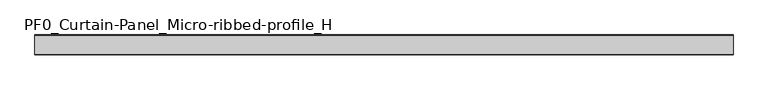
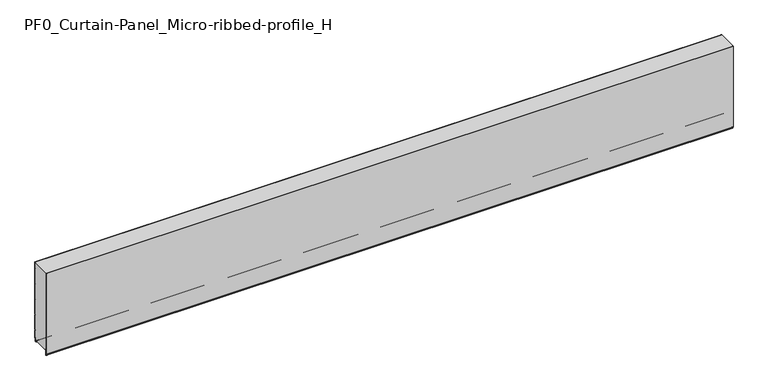
"""IFC4 building model written with IfcOpenShell, lengths in millimetres: plate geometry, PF0_Curtain-Panel_Micro-ribbed-profile_H."""

from ifc_helpers import new_model, si_unit, point, frame, frame_2d, origin, place, context, project, spatial, polyline, circle_curve, trimmed, segment, composite_curve, outline, extrude, source, transform, mapped, element, save


def pf0_curtain_panel_micro_ribbed_profile_h_0c48d845(model_context):
    return source(origin(), model_context, "Body", "SweptSolid", [
        extrude(outline(composite_curve([segment(polyline([(-15.878557, 0.0), (-20.0, 0.0), (-20.0, 0.8), (-15.878557, 0.8)]), True, "CONTINUOUS"), segment(trimmed(circle_curve(frame_2d((-15.878557, -2.0)), 2.8), [point((-15.878557, 0.8))], [point((-13.1503208, -1.370137))], False, "CARTESIAN"), True, "CONTINUOUS"), segment(polyline([(-13.1503208, -1.370137), (-11.728236, -7.529863)]), True, "CONTINUOUS"), segment(trimmed(circle_curve(frame_2d((-9.0, -6.9)), 2.8), [point((-11.728236, -7.529863))], [point((-6.2, -6.9))], True, "CARTESIAN"), True, "CONTINUOUS"), segment(polyline([(-6.2, -6.9), (-6.2, 8.6)]), True, "CONTINUOUS"), segment(trimmed(circle_curve(frame_2d((-3.4, 8.6)), 2.8), [point((-6.2, 8.6))], [point((-3.4, 11.4))], False, "CARTESIAN"), True, "CONTINUOUS"), segment(polyline([(-3.4, 11.4), (-2.0, 11.4)]), True, "CONTINUOUS"), segment(trimmed(circle_curve(frame_2d((-2.0, 12.6)), 1.2), [point((-2.0, 11.4))], [point((-0.8, 12.6))], True, "CARTESIAN"), True, "CONTINUOUS"), segment(polyline([(-0.8, 12.6), (-0.8, 57.6856412), (-2.482606, 60.6), (-0.8, 63.5143588), (-0.8, 157.6856412), (-2.482606, 160.6), (-0.8, 163.5143588), (-0.8, 257.6856412), (-2.482606, 260.6), (-0.8, 263.5143588), (-0.8, 357.6856412), (-2.482606, 360.6), (-0.8, 363.5143588), (-0.8, 457.6856412), (-2.482606, 460.6), (-0.8, 463.5143588), (-0.8, 500.0), (0.0, 500.0), (0.0, 463.2999995), (-1.5588455, 460.6), (0.0, 457.9000005), (0.0, 363.2999995), (-1.5588455, 360.6), (0.0, 357.9000005), (0.0, 263.2999995), (-1.5588455, 260.6), (0.0, 257.9000005), (0.0, 163.2999995), (-1.5588455, 160.6), (0.0, 157.9000005), (0.0, 63.2999995), (-1.5588455, 60.6), (0.0, 57.9000005), (0.0, 12.6)]), True, "CONTINUOUS"), segment(trimmed(circle_curve(frame_2d((-2.0, 12.6)), 2.0), [point((0.0, 12.6))], [point((-2.0, 10.6))], False, "CARTESIAN"), True, "CONTINUOUS"), segment(polyline([(-2.0, 10.6), (-3.4, 10.6)]), True, "CONTINUOUS"), segment(trimmed(circle_curve(frame_2d((-3.4, 8.6)), 2.0), [point((-3.4, 10.6))], [point((-5.4, 8.6))], True, "CARTESIAN"), True, "CONTINUOUS"), segment(polyline([(-5.4, 8.6), (-5.4, -6.9)]), True, "CONTINUOUS"), segment(trimmed(circle_curve(frame_2d((-9.0, -6.9)), 3.6), [point((-5.4, -6.9))], [point((-12.5077322, -7.7098239))], False, "CARTESIAN"), True, "CONTINUOUS"), segment(polyline([(-12.5077322, -7.7098239), (-13.929817, -1.5500979)]), True, "CONTINUOUS"), segment(trimmed(circle_curve(frame_2d((-15.878557, -2.0)), 2.0), [point((-13.929817, -1.5500979))], [point((-15.878557, 0.0))], True, "CARTESIAN"), True, "CONTINUOUS")], self_intersect=False)), frame((-2100.0, 0.0, 0.0), z_axis=(1.0, 0.0, 0.0), x_axis=(0.0, 1.0, 0.0)), (0.0, 0.0, 1.0), 4200.0),
        extrude(outline(composite_curve([segment(polyline([(-110.0, 0.0), (-113.5, 0.0)]), True, "CONTINUOUS"), segment(trimmed(circle_curve(frame_2d((-113.5, -2.0)), 2.0), [point((-113.5, 0.0))], [point((-115.5, -2.0))], True, "CARTESIAN"), True, "CONTINUOUS"), segment(polyline([(-115.5, -2.0), (-115.5, -33.0)]), True, "CONTINUOUS"), segment(trimmed(circle_curve(frame_2d((-116.5, -33.0)), 1.0), [point((-115.5, -33.0))], [point((-117.5, -33.0))], False, "CARTESIAN"), True, "CONTINUOUS"), segment(polyline([(-117.5, -33.0), (-117.5, -26.9)]), True, "CONTINUOUS"), segment(trimmed(circle_curve(frame_2d((-118.4, -26.9)), 0.9), [point((-117.5, -26.9))], [point((-118.4, -26.0))], True, "CARTESIAN"), True, "CONTINUOUS"), segment(trimmed(circle_curve(frame_2d((-118.4, -24.4)), 1.6), [point((-118.4, -26.0))], [point((-120.0, -24.4))], False, "CARTESIAN"), True, "CONTINUOUS"), segment(polyline([(-120.0, -24.4), (-120.0, 500.0), (-119.2, 500.0), (-119.2, -24.4)]), True, "CONTINUOUS"), segment(trimmed(circle_curve(frame_2d((-118.4, -24.4)), 0.8), [point((-119.2, -24.4))], [point((-118.4, -25.2))], True, "CARTESIAN"), True, "CONTINUOUS"), segment(trimmed(circle_curve(frame_2d((-118.6133333, -26.9)), 1.7133333), [point((-118.4, -25.2))], [point((-116.9, -26.9))], False, "CARTESIAN"), True, "CONTINUOUS"), segment(polyline([(-116.9, -26.9), (-116.9, -32.8700312)]), True, "CONTINUOUS"), segment(trimmed(circle_curve(frame_2d((-116.6, -32.8700312)), 0.3), [point((-116.9, -32.8700312))], [point((-116.3, -32.8700312))], True, "CARTESIAN"), True, "CONTINUOUS"), segment(polyline([(-116.3, -32.8700312), (-116.3, -2.0)]), True, "CONTINUOUS"), segment(trimmed(circle_curve(frame_2d((-113.5, -2.0)), 2.8), [point((-116.3, -2.0))], [point((-113.5, 0.8))], False, "CARTESIAN"), True, "CONTINUOUS"), segment(polyline([(-113.5, 0.8), (-110.0, 0.8), (-110.0, 0.0)]), True, "CONTINUOUS")], self_intersect=False)), frame((-2100.0, 0.0, 0.0), z_axis=(1.0, 0.0, 0.0), x_axis=(0.0, 1.0, 0.0)), (0.0, 0.0, 1.0), 4200.0),
        extrude(outline(composite_curve([segment(polyline([(-110.0, 0.8), (-113.5, 0.8)]), True, "CONTINUOUS"), segment(trimmed(circle_curve(frame_2d((-113.5, -2.0)), 2.8), [point((-113.5, 0.8))], [point((-116.3, -2.0))], True, "CARTESIAN"), True, "CONTINUOUS"), segment(polyline([(-116.3, -2.0), (-116.3, -32.8700312)]), True, "CONTINUOUS"), segment(trimmed(circle_curve(frame_2d((-116.6, -32.8700312)), 0.3), [point((-116.3, -32.8700312))], [point((-116.9, -32.8700312))], False, "CARTESIAN"), True, "CONTINUOUS"), segment(polyline([(-116.9, -32.8700312), (-116.9, -26.9)]), True, "CONTINUOUS"), segment(trimmed(circle_curve(frame_2d((-118.6133333, -26.9)), 1.7133333), [point((-116.9, -26.9))], [point((-118.4, -25.2))], True, "CARTESIAN"), True, "CONTINUOUS"), segment(trimmed(circle_curve(frame_2d((-118.4, -24.4)), 0.8), [point((-118.4, -25.2))], [point((-119.2, -24.4))], False, "CARTESIAN"), True, "CONTINUOUS"), segment(polyline([(-119.2, -24.4), (-119.2, 500.0), (-0.8, 500.0), (-0.8, 463.5143588), (-2.482606, 460.6), (-0.8, 457.6856412), (-0.8, 363.5143588), (-2.482606, 360.6), (-0.8, 357.6856412), (-0.8, 263.5143588), (-2.482606, 260.6), (-0.8, 257.6856412), (-0.8, 163.5143588), (-2.482606, 160.6), (-0.8, 157.6856412), (-0.8, 63.5143588), (-2.482606, 60.6), (-0.8, 57.6856412), (-0.8, 12.6)]), True, "CONTINUOUS"), segment(trimmed(circle_curve(frame_2d((-2.0, 12.6)), 1.2), [point((-0.8, 12.6))], [point((-2.0, 11.4))], False, "CARTESIAN"), True, "CONTINUOUS"), segment(polyline([(-2.0, 11.4), (-3.4, 11.4)]), True, "CONTINUOUS"), segment(trimmed(circle_curve(frame_2d((-3.4, 8.6)), 2.8), [point((-3.4, 11.4))], [point((-6.2, 8.6))], True, "CARTESIAN"), True, "CONTINUOUS"), segment(polyline([(-6.2, 8.6), (-6.2, -6.9)]), True, "CONTINUOUS"), segment(trimmed(circle_curve(frame_2d((-9.0, -6.9)), 2.8), [point((-6.2, -6.9))], [point((-11.7282362, -7.529863))], False, "CARTESIAN"), True, "CONTINUOUS"), segment(polyline([(-11.7282362, -7.529863), (-13.1503208, -1.370137)]), True, "CONTINUOUS"), segment(trimmed(circle_curve(frame_2d((-15.878557, -2.0)), 2.8), [point((-13.1503208, -1.370137))], [point((-15.878557, 0.8))], True, "CARTESIAN"), True, "CONTINUOUS"), segment(polyline([(-15.878557, 0.8), (-20.0, 0.8), (-20.0, 0.0), (-110.0, 0.0), (-110.0, 0.8)]), True, "CONTINUOUS")], self_intersect=False)), frame((-2100.0, 0.0, 0.0), z_axis=(1.0, 0.0, 0.0), x_axis=(0.0, 1.0, 0.0)), (0.0, 0.0, 1.0), 4200.0),
    ])


if __name__ == "__main__":
    model = new_model("IFC4")
    model_context = context("Model", 3, world=origin())
    ifc_project = project(units=[si_unit("LENGTHUNIT", "METRE", prefix="MILLI")], contexts=[model_context])
    site = spatial("IfcSite", under=ifc_project)
    building = spatial("IfcBuilding", under=site)
    placement = place(None, origin())
    pf0_curtain_panel_micro_ribbed_profile_h_shape = pf0_curtain_panel_micro_ribbed_profile_h_0c48d845(model_context)
    element("IfcPlate", 1, ObjectType="PF0_Curtain-Panel_Micro-ribbed-profile_H", at=placement, inside=building, context=model_context, shape_type="MappedRepresentation", body=[
        mapped(pf0_curtain_panel_micro_ribbed_profile_h_shape, transform((0.0, 0.0, 0.0), x_axis=(1.0, 0.0, 0.0), y_axis=(0.0, 1.0, 0.0), z_axis=(0.0, 0.0, 1.0))),
    ])
    save(model, "model.ifc")
